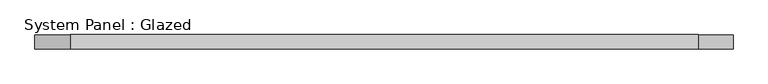
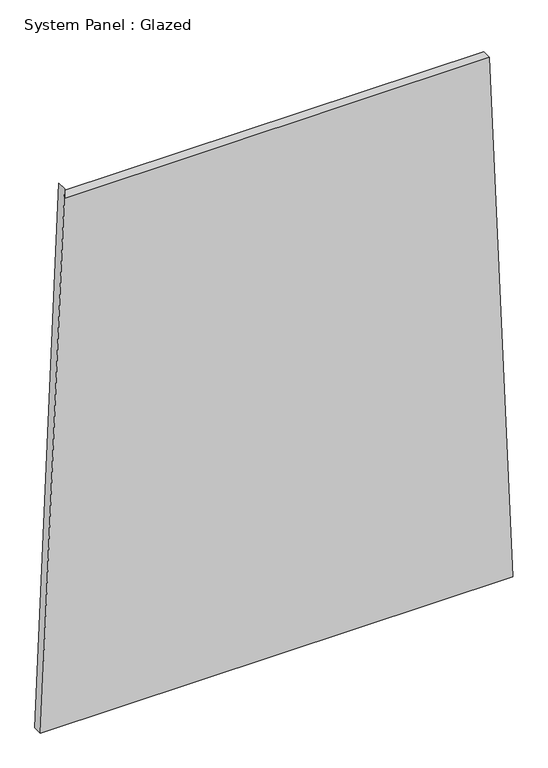
"""IFC4 building model written with IfcOpenShell, lengths in millimetres: plate geometry, System Panel : Glazed."""

import ifcopenshell
import ifcopenshell.guid

model = None  # the IFC model being written
_history = None  # IfcOwnerHistory: only IFC2X3 demands one
_inside = {}  # id of a spatial element -> (the spatial element, [elements in it])
_under = {}  # id of a project, library or spatial element -> (it, [spatial elements below it])
_declared = {}  # id of a project -> (the project, [libraries it declares])
_typed = {}  # id of a type object -> (the type object, [elements of that type])
_made_of = {}  # id of a material, layer set ... -> (it, [elements and type objects made of it])


def new_model(schema):
    """Start an empty IFC model of exactly this schema.

    Asked for "IFC4X3", IfcOpenShell would pick the latest addendum, in which some entities
    have other attributes; the version numbers below select the first issue.
    IFC2X3 requires an IfcOwnerHistory on every rooted entity: one is made here for all.
    """
    global model, _history
    if schema == "IFC4X3":
        model = ifcopenshell.file(schema_version=(4, 3, 0, 0))
    else:
        model = ifcopenshell.file(schema=schema)
    _inside.clear()
    _under.clear()
    _declared.clear()
    _typed.clear()
    _made_of.clear()
    _history = None
    if model.schema == "IFC2X3":
        org = make("IfcOrganization", Name="unknown")
        user = make(
            "IfcPersonAndOrganization",
            ThePerson=make("IfcPerson", FamilyName="unknown"),
            TheOrganization=org,
        )
        app = make(
            "IfcApplication",
            ApplicationDeveloper=org,
            Version="unknown",
            ApplicationFullName="unknown",
            ApplicationIdentifier="unknown",
        )
        _history = make(
            "IfcOwnerHistory",
            OwningUser=user,
            OwningApplication=app,
            ChangeAction="ADDED",
            CreationDate=0,
        )
    return model


def make(cls, **values):
    """One entity of the class cls with the attributes given. An attribute that is None is left unset."""
    return model.create_entity(
        cls, **{name: value for name, value in values.items() if value is not None}
    )


def rooted(cls, **values):
    """An entity with a GlobalId (a new one), such as an element, a storey or a relation."""
    return make(cls, GlobalId=ifcopenshell.guid.new(), OwnerHistory=_history, **values)


def si_unit(unit_type, name, prefix=None):
    """IfcSIUnit, for example si_unit("LENGTHUNIT", "METRE", prefix="MILLI")."""
    return make("IfcSIUnit", UnitType=unit_type, Prefix=prefix, Name=name)


def assignment(units):
    """IfcUnitAssignment: the units of a project."""
    return None if units is None else make("IfcUnitAssignment", Units=units)


def point(xyz):
    """IfcCartesianPoint."""
    return None if xyz is None else make("IfcCartesianPoint", Coordinates=xyz)


def direction(xyz):
    """IfcDirection."""
    return None if xyz is None else make("IfcDirection", DirectionRatios=xyz)


def frame(location, z_axis=None, x_axis=None):
    """IfcAxis2Placement3D, a coordinate frame: its origin and axes. An axis left out is left unset."""
    return make(
        "IfcAxis2Placement3D",
        Location=point(location),
        Axis=direction(z_axis),
        RefDirection=direction(x_axis),
    )


def origin():
    """The frame at (0, 0, 0) with its axes left unset."""
    return frame((0.0, 0.0, 0.0))


def place(relative_to, where):
    """IfcLocalPlacement: puts the frame where relative to a parent placement (None: the world)."""
    return make(
        "IfcLocalPlacement", PlacementRelTo=relative_to, RelativePlacement=where
    )


def context(
    kind, dimensions, precision=None, world=None, true_north=None, identifier=None
):
    """IfcGeometricRepresentationContext, for example the 3D "Model" context."""
    return make(
        "IfcGeometricRepresentationContext",
        ContextIdentifier=identifier,
        ContextType=kind,
        CoordinateSpaceDimension=dimensions,
        Precision=precision,
        WorldCoordinateSystem=world,
        TrueNorth=true_north,
    )


def project(units=None, contexts=None):
    """IfcProject with its units and contexts."""
    return rooted(
        "IfcProject",
        Name="project",
        RepresentationContexts=contexts,
        UnitsInContext=assignment(units),
    )


def spatial(cls, under=None, at=None, **own):
    """A site, building, storey or space (cls), placed at a placement, below another one or the project."""
    s = rooted(cls, ObjectPlacement=at, **own)
    if under is not None:
        _under.setdefault(under.id(), (under, []))[1].append(s)
    return s


def polyline(points):
    """IfcPolyline through the points."""
    return make("IfcPolyline", Points=[point(p) for p in points])


def outline(outer, holes=None, kind="AREA"):
    """IfcArbitraryClosedProfileDef: a profile drawn as a closed curve; with holes, ...WithVoids."""
    if holes is None:
        return make("IfcArbitraryClosedProfileDef", ProfileType=kind, OuterCurve=outer)
    return make(
        "IfcArbitraryProfileDefWithVoids",
        ProfileType=kind,
        OuterCurve=outer,
        InnerCurves=holes,
    )


def extrude(swept, where, along, depth):
    """IfcExtrudedAreaSolid: the profile swept, set in the frame where, extruded along a direction by depth."""
    return make(
        "IfcExtrudedAreaSolid",
        SweptArea=swept,
        Position=where,
        ExtrudedDirection=direction(along),
        Depth=depth,
    )


def shape(context_of_items, identifier, shape_type, items):
    """IfcShapeRepresentation: the items that make up one representation, for example the "Body"."""
    return make(
        "IfcShapeRepresentation",
        ContextOfItems=context_of_items,
        RepresentationIdentifier=identifier,
        RepresentationType=shape_type,
        Items=items,
    )


def source(mapping_origin, context_of_items, identifier, shape_type, items):
    """IfcRepresentationMap: a shape defined once, which mapped items show again and again."""
    return make(
        "IfcRepresentationMap",
        MappingOrigin=mapping_origin,
        MappedRepresentation=shape(context_of_items, identifier, shape_type, items),
    )


def transform(
    local_origin,
    x_axis=None,
    y_axis=None,
    z_axis=None,
    scale=None,
    scale2=None,
    scale3=None,
    uniform=True,
):
    """IfcCartesianTransformationOperator3D, or its non-uniform kind. x_axis, y_axis, z_axis: its Axis1, 2, 3."""
    if uniform:
        return make(
            "IfcCartesianTransformationOperator3D",
            Axis1=direction(x_axis),
            Axis2=direction(y_axis),
            LocalOrigin=point(local_origin),
            Scale=scale,
            Axis3=direction(z_axis),
        )
    return make(
        "IfcCartesianTransformationOperator3DnonUniform",
        Axis1=direction(x_axis),
        Axis2=direction(y_axis),
        LocalOrigin=point(local_origin),
        Scale=scale,
        Axis3=direction(z_axis),
        Scale2=scale2,
        Scale3=scale3,
    )


def mapped(mapping_source, mapping_target):
    """IfcMappedItem: shows the shape of a source again, moved by a transform."""
    return make(
        "IfcMappedItem", MappingSource=mapping_source, MappingTarget=mapping_target
    )


def made_of(thing, what):
    """Note that an element or type object is made of a material, layer set ...; save() writes the relation."""
    if what is not None:
        _made_of.setdefault(what.id(), (what, []))[1].append(thing)
    return thing


def element(
    cls,
    number,
    at=None,
    inside=None,
    cuts=None,
    type_object=None,
    material=None,
    context=None,
    identifier="Body",
    shape_type=None,
    held_by="IfcProductDefinitionShape",
    body=None,
    shapes=None,
    **own,
):
    """One element of the class cls, such as IfcWall. Its Tag is "e" and its number.

    at: its placement. inside: the storey or other place that contains it. cuts: it is an
    opening in that element (IfcRelVoidsElement). A single representation is given by context,
    identifier, shape_type and body (its items); several are given by shapes. held_by: the class
    of the entity that holds the representations. save() writes the other relations.
    """
    e = rooted(cls, Tag="e%d" % number, ObjectPlacement=at, **own)
    if body is not None:
        shapes = [shape(context, identifier, shape_type, body)]
    if shapes is not None:
        e.Representation = make(held_by, Representations=shapes)
    if inside is not None:
        _inside.setdefault(inside.id(), (inside, []))[1].append(e)
    if cuts is not None:
        rooted(
            "IfcRelVoidsElement", RelatingBuildingElement=cuts, RelatedOpeningElement=e
        )
    if type_object is not None:
        _typed.setdefault(type_object.id(), (type_object, []))[1].append(e)
    return made_of(e, material)


def aggregate(whole, parts):
    """IfcRelAggregates: a whole, such as a stair, and the parts it consists of."""
    return rooted("IfcRelAggregates", RelatingObject=whole, RelatedObjects=parts)


def save(model, path):
    """Write the relations noted so far, then the file.

    IfcRelAggregates (storeys below a building ...), IfcRelContainedInSpatialStructure (elements
    in a storey), IfcRelDefinesByType, IfcRelAssociatesMaterial and IfcRelDeclares: one each for
    every whole, place, type object, material and project.
    """
    for whole, parts in _under.values():
        aggregate(whole, parts)
    for where, things in _inside.values():
        rooted(
            "IfcRelContainedInSpatialStructure",
            RelatedElements=things,
            RelatingStructure=where,
        )
    for kind, things in _typed.values():
        rooted("IfcRelDefinesByType", RelatedObjects=things, RelatingType=kind)
    for what, things in _made_of.values():
        rooted("IfcRelAssociatesMaterial", RelatedObjects=things, RelatingMaterial=what)
    for by, libraries in _declared.values():
        rooted("IfcRelDeclares", RelatingContext=by, RelatedDefinitions=libraries)
    model.write(path)


def system_panel_glazed_4231fcbe(model_context):
    return source(origin(), model_context, "Body", "SweptSolid", [
        extrude(outline(polyline([(0.0, -614.0179847), (0.0, 614.0179847), (1448.6526307, 552.5736655), (1448.6526931, -551.5088864), (1473.6526931, -551.508885), (0.0, -614.0179847)])), frame((0.0, -49.5, 0.0), z_axis=(0.0, 1.0, 0.0), x_axis=(0.0, 0.0, 1.0)), (0.0, 0.0, 1.0), 25.0),
    ])


if __name__ == "__main__":
    model = new_model("IFC4")
    model_context = context("Model", 3, world=origin())
    ifc_project = project(units=[si_unit("LENGTHUNIT", "METRE", prefix="MILLI")], contexts=[model_context])
    site = spatial("IfcSite", under=ifc_project)
    building = spatial("IfcBuilding", under=site)
    placement = place(None, origin())
    system_panel_glazed_shape = system_panel_glazed_4231fcbe(model_context)
    element("IfcPlate", 1, ObjectType="System Panel : Glazed", at=placement, inside=building, context=model_context, shape_type="MappedRepresentation", body=[
        mapped(system_panel_glazed_shape, transform((0.0, 0.0, 0.0), x_axis=(1.0, 0.0, 0.0), y_axis=(0.0, 1.0, 0.0), z_axis=(0.0, 0.0, 1.0))),
    ])
    save(model, "model.ifc")
